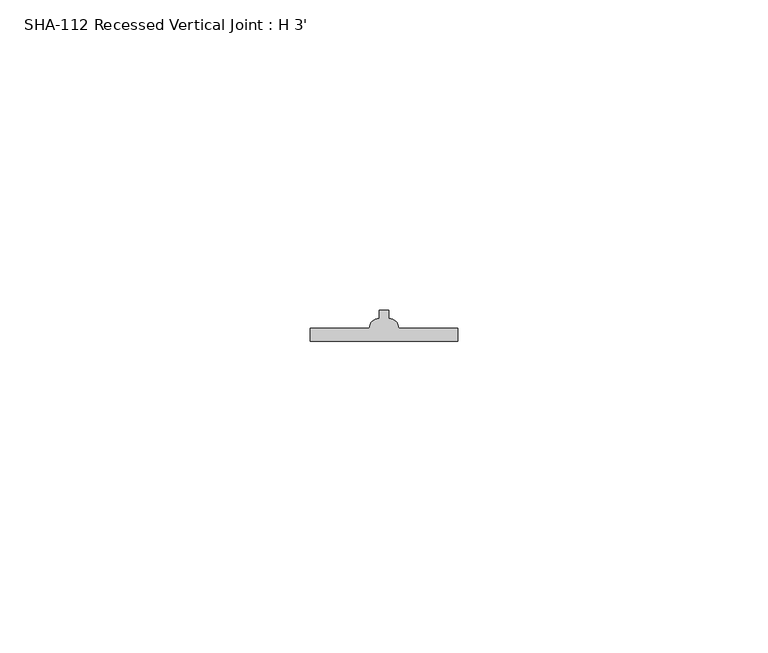
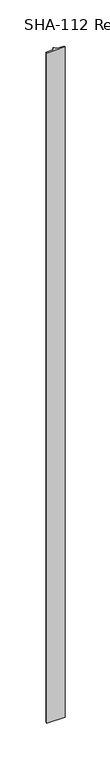
"""IFC4 building model written with IfcOpenShell, lengths in millimetres: proxy geometry, SHA-112 Recessed Vertical Joint : H 3'."""

from ifc_helpers import new_model, si_unit, point, frame_2d, origin, origin_with_axes, place, context, project, spatial, polyline, circle_curve, trimmed, segment, composite_curve, outline, extrude, source, transform, mapped, element, save


def sha_112_recessed_vertical_joint_h_3_60e27f41(model_context):
    return source(origin(), model_context, "Body", "SweptSolid", [
        extrude(outline(composite_curve([segment(polyline([(14.2494, 2.1336), (23.7744, 2.1336), (23.7744, 0.0), (0.0, 0.0), (0.0, 2.1336), (9.525, 2.1336)]), True, "CONTINUOUS"), segment(trimmed(circle_curve(frame_2d((11.0998, 2.1336)), 1.5748), [point((9.525, 2.1336))], [point((11.0998, 3.7084))], False, "CARTESIAN"), True, "CONTINUOUS"), segment(polyline([(11.0998, 3.7084), (11.0998, 5.03555), (11.8872, 5.03555), (12.6746, 5.03555), (12.6746, 3.7084)]), True, "CONTINUOUS"), segment(trimmed(circle_curve(frame_2d((12.6746, 2.1336)), 1.5748), [point((12.6746, 3.7084))], [point((14.2494, 2.1336))], False, "CARTESIAN"), True, "CONTINUOUS")], self_intersect=False)), origin_with_axes(), (0.0, 0.0, 1.0), 914.4),
    ])


if __name__ == "__main__":
    model = new_model("IFC4")
    model_context = context("Model", 3, world=origin())
    ifc_project = project(units=[si_unit("LENGTHUNIT", "METRE", prefix="MILLI")], contexts=[model_context])
    site = spatial("IfcSite", under=ifc_project)
    building = spatial("IfcBuilding", under=site)
    placement = place(None, origin())
    sha_112_recessed_vertical_joint_h_3_shape = sha_112_recessed_vertical_joint_h_3_60e27f41(model_context)
    element("IfcBuildingElementProxy", 1, Name="SHA-112 Recessed Vertical Joint : H 3'", ObjectType="SHA-112 Recessed Vertical Joint : H 3'", at=placement, inside=building, context=model_context, shape_type="MappedRepresentation", body=[
        mapped(sha_112_recessed_vertical_joint_h_3_shape, transform((0.0, 0.0, 0.0), x_axis=(1.0, 0.0, 0.0), y_axis=(0.0, 1.0, 0.0), z_axis=(0.0, 0.0, 1.0))),
    ])
    save(model, "model.ifc")
